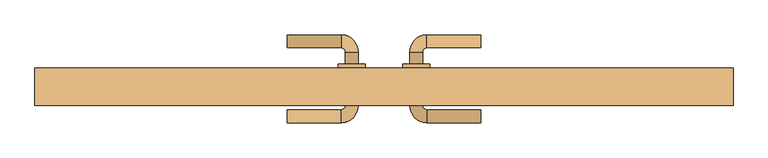
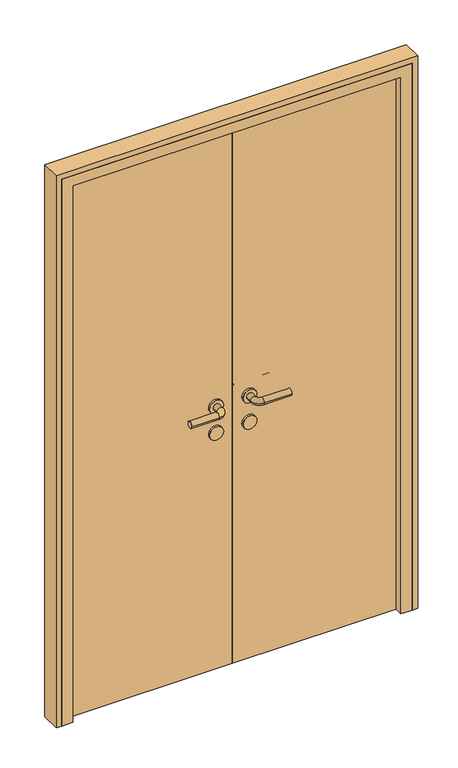
"""IFC4 building model written with IfcOpenShell, lengths in millimetres: door geometry."""

from ifc_helpers import new_model, si_unit, point, frame, frame_2d, origin, origin_with_axes, place, context, project, spatial, polyline, circle_curve, ellipse_curve, trimmed, segment, composite_curve, outline, extrude, faceted_brep, source, transform, mapped, element, save
from ifc_brep_helpers import plane_surface, cylinder_surface, revolved_surface, advanced_brep


def door_84d958ee(model_context):
    return source(origin(), model_context, "Body", "SolidModel", [
        advanced_brep(
        [(-180.0, 317.0, 1000.0), (-180.0, 293.0, 1000.0), (-80.0, 293.0, 1000.0), (-80.0, 317.0, 1000.0), (-72.0, 285.0, 1000.0), (-48.0, 285.0, 1000.0), (-48.0, 185.0, 1000.0), (-48.0, 207.0, 1000.0), (-72.0, 207.0, 1000.0), (-72.0, 185.0, 1000.0), (-72.0, 263.0, 1000.0), (-48.0, 263.0, 1000.0), (-80.0, 177.0, 1000.0), (-80.0, 153.0, 1000.0), (-180.0, 153.0, 1000.0), (-180.0, 177.0, 1000.0), (-35.0, 263.0, 1000.0), (-85.0, 263.0, 1000.0), (-35.0, 207.0, 1000.0), (-85.0, 207.0, 1000.0)],
        [
            (0, 1, circle_curve(frame((-180.0, 305.0, 1000.0), z_axis=(-1.0, 0.0, 0.0), x_axis=(0.0, -1.0, 0.0)), 12.0)),
            (1, 0, circle_curve(frame((-180.0, 305.0, 1000.0), z_axis=(-1.0, 0.0, 0.0), x_axis=(0.0, -1.0, 0.0)), 12.0)),
            (1, 2),
            (2, 3, circle_curve(frame((-80.0, 305.0, 1000.0), z_axis=(-1.0, 0.0, 0.0), x_axis=(0.0, -1.0, 0.0)), 12.0)),
            (3, 0),
            (3, 2, circle_curve(frame((-80.0, 305.0, 1000.0), z_axis=(-1.0, 0.0, 0.0), x_axis=(0.0, -1.0, 0.0)), 12.0)),
            (2, 4, circle_curve(frame((-80.0, 285.0, 1000.0), z_axis=(0.0, 0.0, -1.0), x_axis=(0.0, 1.0, 0.0)), 8.0)),
            (4, 5, circle_curve(frame((-60.0, 285.0, 1000.0), z_axis=(0.0, 1.0, 0.0), x_axis=(-1.0, 0.0, 0.0)), 12.0)),
            (5, 3, circle_curve(frame((-80.0, 285.0, 1000.0), z_axis=(0.0, 0.0, 1.0), x_axis=(0.0, 1.0, 0.0)), 32.0)),
            (5, 4, circle_curve(frame((-60.0, 285.0, 1000.0), z_axis=(0.0, 1.0, 0.0), x_axis=(-1.0, 0.0, 0.0)), 12.0)),
            (6, 7),
            (7, 8, circle_curve(frame((-60.0, 207.0, 1000.0), z_axis=(0.0, -1.0, 0.0), x_axis=(-1.0, 0.0, 0.0)), 12.0)),
            (8, 9),
            (9, 6, circle_curve(frame((-60.0, 185.0, 1000.0), z_axis=(0.0, 1.0, 0.0), x_axis=(-1.0, 0.0, 0.0)), 12.0)),
            (4, 10),
            (10, 11, circle_curve(frame((-60.0, 263.0, 1000.0), z_axis=(0.0, 1.0, 0.0), x_axis=(-1.0, 0.0, 0.0)), 12.0)),
            (11, 5),
            (11, 10, circle_curve(frame((-60.0, 263.0, 1000.0), z_axis=(0.0, 1.0, 0.0), x_axis=(-1.0, 0.0, 0.0)), 12.0)),
            (8, 7, circle_curve(frame((-60.0, 207.0, 1000.0), z_axis=(0.0, -1.0, 0.0), x_axis=(-1.0, 0.0, 0.0)), 12.0)),
            (6, 9, circle_curve(frame((-60.0, 185.0, 1000.0), z_axis=(0.0, 1.0, 0.0), x_axis=(-1.0, 0.0, 0.0)), 12.0)),
            (9, 12, circle_curve(frame((-80.0, 185.0, 1000.0), z_axis=(0.0, 0.0, -1.0), x_axis=(1.0, 0.0, 0.0)), 8.0)),
            (12, 13, circle_curve(frame((-80.0, 165.0, 1000.0), z_axis=(1.0, 0.0, 0.0), x_axis=(0.0, 1.0, 0.0)), 12.0)),
            (13, 6, circle_curve(frame((-80.0, 185.0, 1000.0), z_axis=(0.0, 0.0, 1.0), x_axis=(1.0, 0.0, 0.0)), 32.0)),
            (13, 12, circle_curve(frame((-80.0, 165.0, 1000.0), z_axis=(1.0, 0.0, 0.0), x_axis=(0.0, 1.0, 0.0)), 12.0)),
            (14, 15, circle_curve(frame((-180.0, 165.0, 1000.0), z_axis=(-1.0, 0.0, 0.0), x_axis=(0.0, 1.0, 0.0)), 12.0)),
            (15, 14, circle_curve(frame((-180.0, 165.0, 1000.0), z_axis=(-1.0, 0.0, 0.0), x_axis=(0.0, 1.0, 0.0)), 12.0)),
            (12, 15),
            (14, 13),
            (16, 17, circle_curve(frame((-60.0, 263.0, 1000.0), z_axis=(0.0, 1.0, 0.0), x_axis=(-1.0, 0.0, 0.0)), 25.0)),
            (17, 16, circle_curve(frame((-60.0, 263.0, 1000.0), z_axis=(0.0, 1.0, 0.0), x_axis=(-1.0, 0.0, 0.0)), 25.0)),
            (18, 19, circle_curve(frame((-60.0, 207.0, 1000.0), z_axis=(0.0, -1.0, 0.0), x_axis=(-1.0, 0.0, 0.0)), 25.0)),
            (19, 18, circle_curve(frame((-60.0, 207.0, 1000.0), z_axis=(0.0, -1.0, 0.0), x_axis=(-1.0, 0.0, 0.0)), 25.0)),
            (16, 18),
            (19, 17),
        ],
        [
            plane_surface(frame((-180.0, 305.0, 1000.0), z_axis=(-1.0, 0.0, 0.0), x_axis=(0.0, 0.0, 1.0))),
            cylinder_surface(frame((-180.0, 305.0, 1000.0), z_axis=(-1.0, 0.0, 0.0), x_axis=(0.0, -1.0, 0.0)), 12.0),
            revolved_surface(trimmed(ellipse_curve(frame((-80.0, 305.0, 1000.0), z_axis=(1.0, 0.0, 0.0), x_axis=(0.0, -1.0, 0.0)), 12.0, 12.0), [point((-80.0, 317.0, 1000.0))], [point((-80.0, 293.0, 1000.0))], True, "CARTESIAN"), (-80.0, 285.0, 1000.0), (0.0, 0.0, 1.0)),
            revolved_surface(trimmed(ellipse_curve(frame((-80.0, 305.0, 1000.0), z_axis=(1.0, 0.0, 0.0), x_axis=(0.0, -1.0, 0.0)), 12.0, 12.0), [point((-80.0, 293.0, 1000.0))], [point((-80.0, 317.0, 1000.0))], True, "CARTESIAN"), (-80.0, 285.0, 1000.0), (0.0, 0.0, 1.0)),
            cylinder_surface(frame((-60.0, 285.0, 1000.0), z_axis=(0.0, 1.0, 0.0), x_axis=(-1.0, 0.0, 0.0)), 12.0),
            revolved_surface(trimmed(ellipse_curve(frame((-60.0, 185.0, 1000.0), z_axis=(0.0, -1.0, 0.0), x_axis=(-1.0, 0.0, 0.0)), 12.0, 12.0), [point((-48.0, 185.0, 1000.0))], [point((-72.0, 185.0, 1000.0))], True, "CARTESIAN"), (-80.0, 185.0, 1000.0), (0.0, 0.0, 1.0)),
            revolved_surface(trimmed(ellipse_curve(frame((-60.0, 185.0, 1000.0), z_axis=(0.0, -1.0, 0.0), x_axis=(-1.0, 0.0, 0.0)), 12.0, 12.0), [point((-72.0, 185.0, 1000.0))], [point((-48.0, 185.0, 1000.0))], True, "CARTESIAN"), (-80.0, 185.0, 1000.0), (0.0, 0.0, 1.0)),
            plane_surface(frame((-180.0, 165.0, 1000.0), z_axis=(-1.0, 0.0, 0.0), x_axis=(0.0, 0.0, 1.0))),
            cylinder_surface(frame((-80.0, 165.0, 1000.0), z_axis=(1.0, 0.0, 0.0), x_axis=(0.0, 1.0, 0.0)), 12.0),
            plane_surface(frame((-85.0, 263.0, 1000.0), z_axis=(0.0, 1.0, 0.0), x_axis=(0.0, 0.0, -1.0))),
            plane_surface(frame((-85.0, 207.0, 1000.0), z_axis=(0.0, -1.0, 0.0), x_axis=(0.0, 0.0, 1.0))),
            cylinder_surface(frame((-60.0, 263.0, 1000.0), z_axis=(0.0, -1.0, 0.0), x_axis=(-1.0, 0.0, 0.0)), 25.0),
        ],
        [
            (0, [[1, 2]]),
            (1, [[3, 4, 5, -2]]),
            (1, [[-5, 6, -3, -1]]),
            (2, [[7, 8, 9, -4]]),
            (3, [[-9, 10, -7, -6]]),
            (4, [[11, 12, 13, 14]]),
            (4, [[15, 16, 17, -8]]),
            (4, [[-17, 18, -15, -10]]),
            (4, [[-13, 19, -11, 20]]),
            (5, [[21, 22, 23, -14]]),
            (6, [[-23, 24, -21, -20]]),
            (7, [[25, 26]]),
            (8, [[27, -25, 28, -22]]),
            (8, [[-28, -26, -27, -24]]),
            (9, [[29, 30], [-18, -16]]),
            (10, [[31, 32], [-19, -12]]),
            (11, [[33, -32, 34, -29]]),
            (11, [[-34, -31, -33, -30]]),
        ],
    ),
        extrude(outline(composite_curve([segment(trimmed(circle_curve(frame_2d((900.0, -60.0)), 25.0), [point((900.0, -35.0))], [point((900.0, -85.0))], False, "CARTESIAN"), True, "CONTINUOUS"), segment(trimmed(circle_curve(frame_2d((900.0, -60.0)), 25.0), [point((900.0, -85.0))], [point((900.0, -35.0))], False, "CARTESIAN"), True, "CONTINUOUS")], self_intersect=False)), frame((0.0, 207.0, 0.0), z_axis=(0.0, 1.0, 0.0), x_axis=(0.0, 0.0, 1.0)), (0.0, 0.0, 1.0), 56.0),
        advanced_brep(
        [(180.0, 317.0, 1000.0), (180.0, 293.0, 1000.0), (80.0, 317.0, 1000.0), (80.0, 293.0, 1000.0), (48.0, 285.0, 1000.0), (72.0, 285.0, 1000.0), (48.0, 263.0, 1000.0), (72.0, 263.0, 1000.0), (48.0, 185.0, 1000.0), (72.0, 185.0, 1000.0), (72.0, 207.0, 1000.0), (48.0, 207.0, 1000.0), (80.0, 153.0, 1000.0), (80.0, 177.0, 1000.0), (180.0, 153.0, 1000.0), (180.0, 177.0, 1000.0), (35.0, 263.0, 1000.0), (85.0, 263.0, 1000.0), (35.0, 207.0, 1000.0), (85.0, 207.0, 1000.0)],
        [
            (0, 1, circle_curve(frame((180.0, 305.0, 1000.0), z_axis=(1.0, 0.0, 0.0), x_axis=(0.0, -1.0, 0.0)), 12.0)),
            (1, 0, circle_curve(frame((180.0, 305.0, 1000.0), z_axis=(1.0, 0.0, 0.0), x_axis=(0.0, -1.0, 0.0)), 12.0)),
            (0, 2),
            (2, 3, circle_curve(frame((80.0, 305.0, 1000.0), z_axis=(1.0, 0.0, 0.0), x_axis=(0.0, -1.0, 0.0)), 12.0)),
            (3, 1),
            (3, 2, circle_curve(frame((80.0, 305.0, 1000.0), z_axis=(1.0, 0.0, 0.0), x_axis=(0.0, -1.0, 0.0)), 12.0)),
            (2, 4, circle_curve(frame((80.0, 285.0, 1000.0), z_axis=(0.0, 0.0, 1.0), x_axis=(0.0, 1.0, 0.0)), 32.0)),
            (4, 5, circle_curve(frame((60.0, 285.0, 1000.0), z_axis=(0.0, 1.0, 0.0), x_axis=(1.0, 0.0, 0.0)), 12.0)),
            (5, 3, circle_curve(frame((80.0, 285.0, 1000.0), z_axis=(0.0, 0.0, -1.0), x_axis=(0.0, 1.0, 0.0)), 8.0)),
            (5, 4, circle_curve(frame((60.0, 285.0, 1000.0), z_axis=(0.0, 1.0, 0.0), x_axis=(1.0, 0.0, 0.0)), 12.0)),
            (4, 6),
            (6, 7, circle_curve(frame((60.0, 263.0, 1000.0), z_axis=(0.0, 1.0, 0.0), x_axis=(1.0, 0.0, 0.0)), 12.0)),
            (7, 5),
            (8, 9, circle_curve(frame((60.0, 185.0, 1000.0), z_axis=(0.0, 1.0, 0.0), x_axis=(1.0, 0.0, 0.0)), 12.0)),
            (9, 10),
            (10, 11, circle_curve(frame((60.0, 207.0, 1000.0), z_axis=(0.0, -1.0, 0.0), x_axis=(1.0, 0.0, 0.0)), 12.0)),
            (11, 8),
            (7, 6, circle_curve(frame((60.0, 263.0, 1000.0), z_axis=(0.0, 1.0, 0.0), x_axis=(1.0, 0.0, 0.0)), 12.0)),
            (9, 8, circle_curve(frame((60.0, 185.0, 1000.0), z_axis=(0.0, 1.0, 0.0), x_axis=(1.0, 0.0, 0.0)), 12.0)),
            (11, 10, circle_curve(frame((60.0, 207.0, 1000.0), z_axis=(0.0, -1.0, 0.0), x_axis=(1.0, 0.0, 0.0)), 12.0)),
            (8, 12, circle_curve(frame((80.0, 185.0, 1000.0), z_axis=(0.0, 0.0, 1.0), x_axis=(-1.0, 0.0, 0.0)), 32.0)),
            (12, 13, circle_curve(frame((80.0, 165.0, 1000.0), z_axis=(-1.0, 0.0, 0.0), x_axis=(0.0, 1.0, 0.0)), 12.0)),
            (13, 9, circle_curve(frame((80.0, 185.0, 1000.0), z_axis=(0.0, 0.0, -1.0), x_axis=(-1.0, 0.0, 0.0)), 8.0)),
            (13, 12, circle_curve(frame((80.0, 165.0, 1000.0), z_axis=(-1.0, 0.0, 0.0), x_axis=(0.0, 1.0, 0.0)), 12.0)),
            (14, 15, circle_curve(frame((180.0, 165.0, 1000.0), z_axis=(1.0, 0.0, 0.0), x_axis=(0.0, 1.0, 0.0)), 12.0)),
            (15, 14, circle_curve(frame((180.0, 165.0, 1000.0), z_axis=(1.0, 0.0, 0.0), x_axis=(0.0, 1.0, 0.0)), 12.0)),
            (12, 14),
            (15, 13),
            (16, 17, circle_curve(frame((60.0, 263.0, 1000.0), z_axis=(0.0, 1.0, 0.0), x_axis=(1.0, 0.0, 0.0)), 25.0)),
            (17, 16, circle_curve(frame((60.0, 263.0, 1000.0), z_axis=(0.0, 1.0, 0.0), x_axis=(1.0, 0.0, 0.0)), 25.0)),
            (18, 19, circle_curve(frame((60.0, 207.0, 1000.0), z_axis=(0.0, -1.0, 0.0), x_axis=(1.0, 0.0, 0.0)), 25.0)),
            (19, 18, circle_curve(frame((60.0, 207.0, 1000.0), z_axis=(0.0, -1.0, 0.0), x_axis=(1.0, 0.0, 0.0)), 25.0)),
            (17, 19),
            (18, 16),
        ],
        [
            plane_surface(frame((180.0, 305.0, 1000.0), z_axis=(1.0, 0.0, 0.0), x_axis=(0.0, 0.0, 1.0))),
            cylinder_surface(frame((180.0, 305.0, 1000.0), z_axis=(1.0, 0.0, 0.0), x_axis=(0.0, -1.0, 0.0)), 12.0),
            revolved_surface(trimmed(ellipse_curve(frame((80.0, 305.0, 1000.0), z_axis=(1.0, 0.0, 0.0), x_axis=(0.0, -1.0, 0.0)), 12.0, 12.0), [point((80.0, 317.0, 1000.0))], [point((80.0, 293.0, 1000.0))], True, "CARTESIAN"), (80.0, 285.0, 1000.0), (0.0, 0.0, 1.0)),
            revolved_surface(trimmed(ellipse_curve(frame((80.0, 305.0, 1000.0), z_axis=(1.0, 0.0, 0.0), x_axis=(0.0, -1.0, 0.0)), 12.0, 12.0), [point((80.0, 293.0, 1000.0))], [point((80.0, 317.0, 1000.0))], True, "CARTESIAN"), (80.0, 285.0, 1000.0), (0.0, 0.0, 1.0)),
            cylinder_surface(frame((60.0, 285.0, 1000.0), z_axis=(0.0, 1.0, 0.0), x_axis=(1.0, 0.0, 0.0)), 12.0),
            revolved_surface(trimmed(ellipse_curve(frame((60.0, 185.0, 1000.0), z_axis=(0.0, 1.0, 0.0), x_axis=(1.0, 0.0, 0.0)), 12.0, 12.0), [point((48.0, 185.0, 1000.0))], [point((72.0, 185.0, 1000.0))], True, "CARTESIAN"), (80.0, 185.0, 1000.0), (0.0, 0.0, 1.0)),
            revolved_surface(trimmed(ellipse_curve(frame((60.0, 185.0, 1000.0), z_axis=(0.0, 1.0, 0.0), x_axis=(1.0, 0.0, 0.0)), 12.0, 12.0), [point((72.0, 185.0, 1000.0))], [point((48.0, 185.0, 1000.0))], True, "CARTESIAN"), (80.0, 185.0, 1000.0), (0.0, 0.0, 1.0)),
            plane_surface(frame((180.0, 165.0, 1000.0), z_axis=(1.0, 0.0, 0.0), x_axis=(0.0, 0.0, 1.0))),
            cylinder_surface(frame((80.0, 165.0, 1000.0), z_axis=(-1.0, 0.0, 0.0), x_axis=(0.0, 1.0, 0.0)), 12.0),
            plane_surface(frame((85.0, 263.0, 1000.0), z_axis=(0.0, 1.0, 0.0), x_axis=(0.0, 0.0, -1.0))),
            plane_surface(frame((85.0, 207.0, 1000.0), z_axis=(0.0, -1.0, 0.0), x_axis=(0.0, 0.0, 1.0))),
            cylinder_surface(frame((60.0, 263.0, 1000.0), z_axis=(0.0, -1.0, 0.0), x_axis=(1.0, 0.0, 0.0)), 25.0),
        ],
        [
            (0, [[1, 2]]),
            (1, [[-1, 3, 4, 5]]),
            (1, [[-2, -5, 6, -3]]),
            (2, [[-4, 7, 8, 9]]),
            (3, [[-6, -9, 10, -7]]),
            (4, [[-8, 11, 12, 13]]),
            (4, [[14, 15, 16, 17]]),
            (4, [[-10, -13, 18, -11]]),
            (4, [[19, -17, 20, -15]]),
            (5, [[-14, 21, 22, 23]]),
            (6, [[-19, -23, 24, -21]]),
            (7, [[25, 26]]),
            (8, [[-22, 27, -26, 28]]),
            (8, [[-24, -28, -25, -27]]),
            (9, [[29, 30], [-12, -18]]),
            (10, [[31, 32], [-16, -20]]),
            (11, [[-30, 33, -31, 34]]),
            (11, [[-29, -34, -32, -33]]),
        ],
    ),
        extrude(outline(composite_curve([segment(trimmed(circle_curve(frame_2d((900.0, 60.0)), 25.0), [point((900.0, 35.0))], [point((900.0, 85.0))], False, "CARTESIAN"), True, "CONTINUOUS"), segment(trimmed(circle_curve(frame_2d((900.0, 60.0)), 25.0), [point((900.0, 85.0))], [point((900.0, 35.0))], False, "CARTESIAN"), True, "CONTINUOUS")], self_intersect=False)), frame((0.0, 207.0, 0.0), z_axis=(0.0, 1.0, 0.0), x_axis=(0.0, 0.0, 1.0)), (0.0, 0.0, 1.0), 56.0),
        extrude(outline(polyline([(0.0, 215.0), (-600.0, 215.0), (-600.0, 255.0), (0.0, 255.0), (0.0, 215.0)])), origin_with_axes(), (0.0, 0.0, 1.0), 2050.0),
        extrude(outline(polyline([(600.0, 215.0), (0.0, 215.0), (0.0, 255.0), (600.0, 255.0), (600.0, 215.0)])), origin_with_axes(), (0.0, 0.0, 1.0), 2050.0),
        extrude(outline(polyline([(0.0, 650.0), (2100.0, 650.0), (2100.0, -650.0), (0.0, -650.0), (0.0, -630.0), (2080.0, -630.0), (2080.0, 630.0), (0.0, 630.0), (0.0, 650.0)])), frame((0.0, 185.0, 0.0), z_axis=(0.0, 1.0, 0.0), x_axis=(0.0, 0.0, 1.0)), (0.0, 0.0, 1.0), 70.0),
        faceted_brep([(-630.0, 185.0, 0.0), (-630.0, 255.0, 0.0), (-600.0, 255.0, 0.0), (-600.0, 215.0, 0.0), (-590.0, 215.0, 0.0), (-590.0, 185.0, 0.0), (-630.0, 185.0, 2080.0), (-630.0, 255.0, 2080.0), (630.0, 255.0, 2080.0), (630.0, 255.0, 0.0), (600.0, 255.0, 0.0), (600.0, 255.0, 2050.0), (-600.0, 255.0, 2050.0), (-600.0, 215.0, 2050.0), (600.0, 215.0, 2050.0), (600.0, 215.0, 0.0), (590.0, 215.0, 0.0), (590.0, 215.0, 2040.0), (-590.0, 215.0, 2040.0), (-590.0, 185.0, 2040.0), (590.0, 185.0, 2040.0), (590.0, 185.0, 0.0), (630.0, 185.0, 0.0), (630.0, 185.0, 2080.0)], [[[0, 1, 2, 3, 4, 5]], [[1, 0, 6, 7]], [[2, 1, 7, 8, 9, 10, 11, 12]], [[3, 2, 12, 13]], [[4, 3, 13, 14, 15, 16, 17, 18]], [[5, 4, 18, 19]], [[0, 5, 19, 20, 21, 22, 23, 6]], [[7, 6, 23, 8]], [[13, 12, 11, 14]], [[19, 18, 17, 20]], [[22, 21, 16, 15, 10, 9]], [[8, 23, 22, 9]], [[14, 11, 10, 15]], [[20, 17, 16, 21]]]),
    ])


if __name__ == "__main__":
    model = new_model("IFC4")
    model_context = context("Model", 3, world=origin())
    ifc_project = project(units=[si_unit("LENGTHUNIT", "METRE", prefix="MILLI")], contexts=[model_context])
    site = spatial("IfcSite", under=ifc_project)
    building = spatial("IfcBuilding", under=site)
    placement = place(None, origin())
    door_shape = door_84d958ee(model_context)
    element("IfcDoor", 1, at=placement, inside=building, context=model_context, shape_type="MappedRepresentation", body=[
        mapped(door_shape, transform((0.0, 0.0, 0.0), x_axis=(1.0, 0.0, 0.0), y_axis=(0.0, 1.0, 0.0), z_axis=(0.0, 0.0, 1.0))),
    ])
    save(model, "model.ifc")
